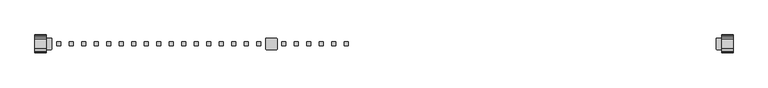
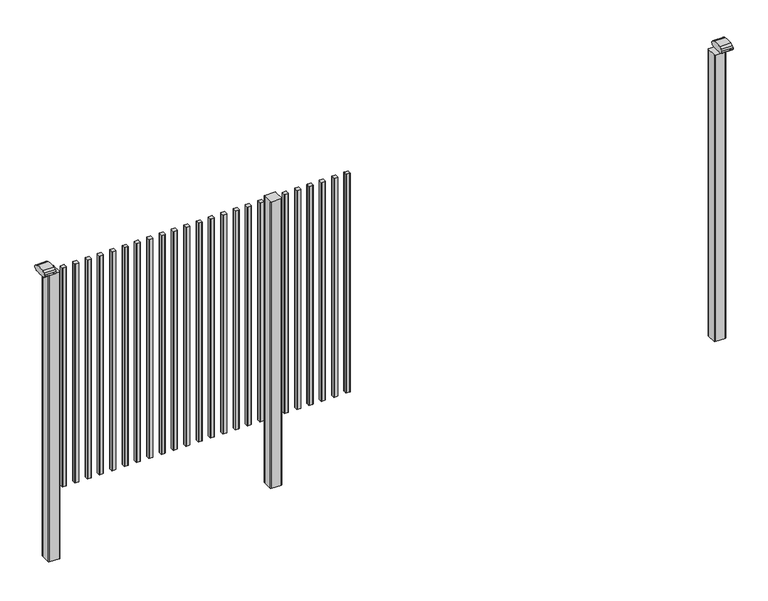
"""IFC4 building model written with IfcOpenShell, lengths in millimetres: railing geometry."""

from ifc_helpers import new_model, si_unit, point, frame, frame_2d, origin, place, context, project, spatial, polyline, circle_curve, trimmed, segment, composite_curve, outline, extrude, source, transform, mapped, element, save


def railing_aef79cb2(model_context):
    return source(origin(), model_context, "Body", "SweptSolid", [
        extrude(outline(composite_curve([segment(trimmed(circle_curve(frame_2d((5037.1280244, 7268.4508236)), 1.4), [point((5035.7280244, 7268.4508236))], [point((5037.1280244, 7269.8508236))], False, "CARTESIAN"), True, "CONTINUOUS"), segment(polyline([(5037.1280244, 7269.8508236), (5052.3280274, 7269.8508236)]), True, "CONTINUOUS"), segment(trimmed(circle_curve(frame_2d((5052.3280274, 7268.4508236)), 1.4), [point((5052.3280274, 7269.8508236))], [point((5053.7280274, 7268.4508236))], False, "CARTESIAN"), True, "CONTINUOUS"), segment(polyline([(5053.7280274, 7268.4508236), (5053.7280274, 7253.2507846)]), True, "CONTINUOUS"), segment(trimmed(circle_curve(frame_2d((5052.3280274, 7253.2507846)), 1.4), [point((5053.7280274, 7253.2507846))], [point((5052.3280274, 7251.8507846))], False, "CARTESIAN"), True, "CONTINUOUS"), segment(polyline([(5052.3280274, 7251.8507846), (5037.1280244, 7251.8507846)]), True, "CONTINUOUS"), segment(trimmed(circle_curve(frame_2d((5037.1280244, 7253.2507846)), 1.4), [point((5037.1280244, 7251.8507846))], [point((5035.7280244, 7253.2507846))], False, "CARTESIAN"), True, "CONTINUOUS"), segment(polyline([(5035.7280244, 7253.2507846), (5035.7280244, 7268.4508236)]), True, "CONTINUOUS")], self_intersect=False)), frame((0.0, 0.0, 125.0), z_axis=(0.0, 0.0, 1.0), x_axis=(1.0, 0.0, 0.0)), (0.0, 0.0, 1.0), 1043.1238517),
        extrude(outline(composite_curve([segment(trimmed(circle_curve(frame_2d((4981.5724688, 7268.4508236)), 1.4), [point((4980.1724688, 7268.4508236))], [point((4981.5724688, 7269.8508236))], False, "CARTESIAN"), True, "CONTINUOUS"), segment(polyline([(4981.5724688, 7269.8508236), (4996.7724718, 7269.8508236)]), True, "CONTINUOUS"), segment(trimmed(circle_curve(frame_2d((4996.7724718, 7268.4508236)), 1.4), [point((4996.7724718, 7269.8508236))], [point((4998.1724718, 7268.4508236))], False, "CARTESIAN"), True, "CONTINUOUS"), segment(polyline([(4998.1724718, 7268.4508236), (4998.1724718, 7253.2507846)]), True, "CONTINUOUS"), segment(trimmed(circle_curve(frame_2d((4996.7724718, 7253.2507846)), 1.4), [point((4998.1724718, 7253.2507846))], [point((4996.7724718, 7251.8507846))], False, "CARTESIAN"), True, "CONTINUOUS"), segment(polyline([(4996.7724718, 7251.8507846), (4981.5724688, 7251.8507846)]), True, "CONTINUOUS"), segment(trimmed(circle_curve(frame_2d((4981.5724688, 7253.2507846)), 1.4), [point((4981.5724688, 7251.8507846))], [point((4980.1724688, 7253.2507846))], False, "CARTESIAN"), True, "CONTINUOUS"), segment(polyline([(4980.1724688, 7253.2507846), (4980.1724688, 7268.4508236)]), True, "CONTINUOUS")], self_intersect=False)), frame((0.0, 0.0, 125.0), z_axis=(0.0, 0.0, 1.0), x_axis=(1.0, 0.0, 0.0)), (0.0, 0.0, 1.0), 1043.1238517),
        extrude(outline(composite_curve([segment(trimmed(circle_curve(frame_2d((4926.0169133, 7268.4508236)), 1.4), [point((4924.6169133, 7268.4508236))], [point((4926.0169133, 7269.8508236))], False, "CARTESIAN"), True, "CONTINUOUS"), segment(polyline([(4926.0169133, 7269.8508236), (4941.2169163, 7269.8508236)]), True, "CONTINUOUS"), segment(trimmed(circle_curve(frame_2d((4941.2169163, 7268.4508236)), 1.4), [point((4941.2169163, 7269.8508236))], [point((4942.6169163, 7268.4508236))], False, "CARTESIAN"), True, "CONTINUOUS"), segment(polyline([(4942.6169163, 7268.4508236), (4942.6169163, 7253.2507846)]), True, "CONTINUOUS"), segment(trimmed(circle_curve(frame_2d((4941.2169163, 7253.2507846)), 1.4), [point((4942.6169163, 7253.2507846))], [point((4941.2169163, 7251.8507846))], False, "CARTESIAN"), True, "CONTINUOUS"), segment(polyline([(4941.2169163, 7251.8507846), (4926.0169133, 7251.8507846)]), True, "CONTINUOUS"), segment(trimmed(circle_curve(frame_2d((4926.0169133, 7253.2507846)), 1.4), [point((4926.0169133, 7251.8507846))], [point((4924.6169133, 7253.2507846))], False, "CARTESIAN"), True, "CONTINUOUS"), segment(polyline([(4924.6169133, 7253.2507846), (4924.6169133, 7268.4508236)]), True, "CONTINUOUS")], self_intersect=False)), frame((0.0, 0.0, 125.0), z_axis=(0.0, 0.0, 1.0), x_axis=(1.0, 0.0, 0.0)), (0.0, 0.0, 1.0), 1043.1238517),
        extrude(outline(composite_curve([segment(trimmed(circle_curve(frame_2d((4870.4613577, 7268.4508236)), 1.4), [point((4869.0613577, 7268.4508236))], [point((4870.4613577, 7269.8508236))], False, "CARTESIAN"), True, "CONTINUOUS"), segment(polyline([(4870.4613577, 7269.8508236), (4885.6613607, 7269.8508236)]), True, "CONTINUOUS"), segment(trimmed(circle_curve(frame_2d((4885.6613607, 7268.4508236)), 1.4), [point((4885.6613607, 7269.8508236))], [point((4887.0613607, 7268.4508236))], False, "CARTESIAN"), True, "CONTINUOUS"), segment(polyline([(4887.0613607, 7268.4508236), (4887.0613607, 7253.2507846)]), True, "CONTINUOUS"), segment(trimmed(circle_curve(frame_2d((4885.6613607, 7253.2507846)), 1.4), [point((4887.0613607, 7253.2507846))], [point((4885.6613607, 7251.8507846))], False, "CARTESIAN"), True, "CONTINUOUS"), segment(polyline([(4885.6613607, 7251.8507846), (4870.4613577, 7251.8507846)]), True, "CONTINUOUS"), segment(trimmed(circle_curve(frame_2d((4870.4613577, 7253.2507846)), 1.4), [point((4870.4613577, 7251.8507846))], [point((4869.0613577, 7253.2507846))], False, "CARTESIAN"), True, "CONTINUOUS"), segment(polyline([(4869.0613577, 7253.2507846), (4869.0613577, 7268.4508236)]), True, "CONTINUOUS")], self_intersect=False)), frame((0.0, 0.0, 125.0), z_axis=(0.0, 0.0, 1.0), x_axis=(1.0, 0.0, 0.0)), (0.0, 0.0, 1.0), 1043.1238517),
        extrude(outline(composite_curve([segment(trimmed(circle_curve(frame_2d((4814.9058021, 7268.4508236)), 1.4), [point((4813.5058021, 7268.4508236))], [point((4814.9058021, 7269.8508236))], False, "CARTESIAN"), True, "CONTINUOUS"), segment(polyline([(4814.9058021, 7269.8508236), (4830.1058051, 7269.8508236)]), True, "CONTINUOUS"), segment(trimmed(circle_curve(frame_2d((4830.1058051, 7268.4508236)), 1.4), [point((4830.1058051, 7269.8508236))], [point((4831.5058051, 7268.4508236))], False, "CARTESIAN"), True, "CONTINUOUS"), segment(polyline([(4831.5058051, 7268.4508236), (4831.5058051, 7253.2507846)]), True, "CONTINUOUS"), segment(trimmed(circle_curve(frame_2d((4830.1058051, 7253.2507846)), 1.4), [point((4831.5058051, 7253.2507846))], [point((4830.1058051, 7251.8507846))], False, "CARTESIAN"), True, "CONTINUOUS"), segment(polyline([(4830.1058051, 7251.8507846), (4814.9058021, 7251.8507846)]), True, "CONTINUOUS"), segment(trimmed(circle_curve(frame_2d((4814.9058021, 7253.2507846)), 1.4), [point((4814.9058021, 7251.8507846))], [point((4813.5058021, 7253.2507846))], False, "CARTESIAN"), True, "CONTINUOUS"), segment(polyline([(4813.5058021, 7253.2507846), (4813.5058021, 7268.4508236)]), True, "CONTINUOUS")], self_intersect=False)), frame((0.0, 0.0, 125.0), z_axis=(0.0, 0.0, 1.0), x_axis=(1.0, 0.0, 0.0)), (0.0, 0.0, 1.0), 1043.1238517),
        extrude(outline(composite_curve([segment(trimmed(circle_curve(frame_2d((4759.3502466, 7268.4508236)), 1.4), [point((4757.9502466, 7268.4508236))], [point((4759.3502466, 7269.8508236))], False, "CARTESIAN"), True, "CONTINUOUS"), segment(polyline([(4759.3502466, 7269.8508236), (4774.5502496, 7269.8508236)]), True, "CONTINUOUS"), segment(trimmed(circle_curve(frame_2d((4774.5502496, 7268.4508236)), 1.4), [point((4774.5502496, 7269.8508236))], [point((4775.9502496, 7268.4508236))], False, "CARTESIAN"), True, "CONTINUOUS"), segment(polyline([(4775.9502496, 7268.4508236), (4775.9502496, 7253.2507846)]), True, "CONTINUOUS"), segment(trimmed(circle_curve(frame_2d((4774.5502496, 7253.2507846)), 1.4), [point((4775.9502496, 7253.2507846))], [point((4774.5502496, 7251.8507846))], False, "CARTESIAN"), True, "CONTINUOUS"), segment(polyline([(4774.5502496, 7251.8507846), (4759.3502466, 7251.8507846)]), True, "CONTINUOUS"), segment(trimmed(circle_curve(frame_2d((4759.3502466, 7253.2507846)), 1.4), [point((4759.3502466, 7251.8507846))], [point((4757.9502466, 7253.2507846))], False, "CARTESIAN"), True, "CONTINUOUS"), segment(polyline([(4757.9502466, 7253.2507846), (4757.9502466, 7268.4508236)]), True, "CONTINUOUS")], self_intersect=False)), frame((0.0, 0.0, 125.0), z_axis=(0.0, 0.0, 1.0), x_axis=(1.0, 0.0, 0.0)), (0.0, 0.0, 1.0), 1043.1238517),
        extrude(outline(composite_curve([segment(trimmed(circle_curve(frame_2d((4733.7947043, 7283.2508153)), 3.0), [point((4733.794704, 7286.2508153))], [point((4736.7947043, 7283.2508156))], False, "CARTESIAN"), True, "CONTINUOUS"), segment(polyline([(4736.7947043, 7283.2508156), (4736.7947083, 7238.4507926)]), True, "CONTINUOUS"), segment(trimmed(circle_curve(frame_2d((4733.7947083, 7238.4507923)), 3.0), [point((4736.7947083, 7238.4507926))], [point((4733.7947086, 7235.4507923))], False, "CARTESIAN"), True, "CONTINUOUS"), segment(polyline([(4733.7947086, 7235.4507923), (4688.9946856, 7235.4507883)]), True, "CONTINUOUS"), segment(trimmed(circle_curve(frame_2d((4688.9946853, 7238.4507883)), 3.0), [point((4688.9946856, 7235.4507883))], [point((4685.9946853, 7238.450788))], False, "CARTESIAN"), True, "CONTINUOUS"), segment(polyline([(4685.9946853, 7238.450788), (4685.9946813, 7283.250811)]), True, "CONTINUOUS"), segment(trimmed(circle_curve(frame_2d((4688.9946813, 7283.2508113)), 3.0), [point((4685.9946813, 7283.250811))], [point((4688.994681, 7286.2508113))], False, "CARTESIAN"), True, "CONTINUOUS"), segment(polyline([(4688.994681, 7286.2508113), (4733.794704, 7286.2508153)]), True, "CONTINUOUS")], self_intersect=False)), frame((0.0, 0.0, -198.0), z_axis=(0.0, 0.0, 1.0), x_axis=(1.0, 0.0, 0.0)), (0.0, 0.0, 1.0), 1366.1238517),
        extrude(outline(composite_curve([segment(trimmed(circle_curve(frame_2d((4648.2391355, 7268.4508236)), 1.4), [point((4646.8391355, 7268.4508236))], [point((4648.2391355, 7269.8508236))], False, "CARTESIAN"), True, "CONTINUOUS"), segment(polyline([(4648.2391355, 7269.8508236), (4663.4391385, 7269.8508236)]), True, "CONTINUOUS"), segment(trimmed(circle_curve(frame_2d((4663.4391385, 7268.4508236)), 1.4), [point((4663.4391385, 7269.8508236))], [point((4664.8391385, 7268.4508236))], False, "CARTESIAN"), True, "CONTINUOUS"), segment(polyline([(4664.8391385, 7268.4508236), (4664.8391385, 7253.2507846)]), True, "CONTINUOUS"), segment(trimmed(circle_curve(frame_2d((4663.4391385, 7253.2507846)), 1.4), [point((4664.8391385, 7253.2507846))], [point((4663.4391385, 7251.8507846))], False, "CARTESIAN"), True, "CONTINUOUS"), segment(polyline([(4663.4391385, 7251.8507846), (4648.2391355, 7251.8507846)]), True, "CONTINUOUS"), segment(trimmed(circle_curve(frame_2d((4648.2391355, 7253.2507846)), 1.4), [point((4648.2391355, 7251.8507846))], [point((4646.8391355, 7253.2507846))], False, "CARTESIAN"), True, "CONTINUOUS"), segment(polyline([(4646.8391355, 7253.2507846), (4646.8391355, 7268.4508236)]), True, "CONTINUOUS")], self_intersect=False)), frame((0.0, 0.0, 125.0), z_axis=(0.0, 0.0, 1.0), x_axis=(1.0, 0.0, 0.0)), (0.0, 0.0, 1.0), 1043.1238517),
        extrude(outline(composite_curve([segment(trimmed(circle_curve(frame_2d((4592.6835799, 7268.4508236)), 1.4), [point((4591.2835799, 7268.4508236))], [point((4592.6835799, 7269.8508236))], False, "CARTESIAN"), True, "CONTINUOUS"), segment(polyline([(4592.6835799, 7269.8508236), (4607.8835829, 7269.8508236)]), True, "CONTINUOUS"), segment(trimmed(circle_curve(frame_2d((4607.8835829, 7268.4508236)), 1.4), [point((4607.8835829, 7269.8508236))], [point((4609.2835829, 7268.4508236))], False, "CARTESIAN"), True, "CONTINUOUS"), segment(polyline([(4609.2835829, 7268.4508236), (4609.2835829, 7253.2507846)]), True, "CONTINUOUS"), segment(trimmed(circle_curve(frame_2d((4607.8835829, 7253.2507846)), 1.4), [point((4609.2835829, 7253.2507846))], [point((4607.8835829, 7251.8507846))], False, "CARTESIAN"), True, "CONTINUOUS"), segment(polyline([(4607.8835829, 7251.8507846), (4592.6835799, 7251.8507846)]), True, "CONTINUOUS"), segment(trimmed(circle_curve(frame_2d((4592.6835799, 7253.2507846)), 1.4), [point((4592.6835799, 7251.8507846))], [point((4591.2835799, 7253.2507846))], False, "CARTESIAN"), True, "CONTINUOUS"), segment(polyline([(4591.2835799, 7253.2507846), (4591.2835799, 7268.4508236)]), True, "CONTINUOUS")], self_intersect=False)), frame((0.0, 0.0, 125.0), z_axis=(0.0, 0.0, 1.0), x_axis=(1.0, 0.0, 0.0)), (0.0, 0.0, 1.0), 1043.1238517),
        extrude(outline(composite_curve([segment(trimmed(circle_curve(frame_2d((4537.1280244, 7268.4508236)), 1.4), [point((4535.7280244, 7268.4508236))], [point((4537.1280244, 7269.8508236))], False, "CARTESIAN"), True, "CONTINUOUS"), segment(polyline([(4537.1280244, 7269.8508236), (4552.3280274, 7269.8508236)]), True, "CONTINUOUS"), segment(trimmed(circle_curve(frame_2d((4552.3280274, 7268.4508236)), 1.4), [point((4552.3280274, 7269.8508236))], [point((4553.7280274, 7268.4508236))], False, "CARTESIAN"), True, "CONTINUOUS"), segment(polyline([(4553.7280274, 7268.4508236), (4553.7280274, 7253.2507846)]), True, "CONTINUOUS"), segment(trimmed(circle_curve(frame_2d((4552.3280274, 7253.2507846)), 1.4), [point((4553.7280274, 7253.2507846))], [point((4552.3280274, 7251.8507846))], False, "CARTESIAN"), True, "CONTINUOUS"), segment(polyline([(4552.3280274, 7251.8507846), (4537.1280244, 7251.8507846)]), True, "CONTINUOUS"), segment(trimmed(circle_curve(frame_2d((4537.1280244, 7253.2507846)), 1.4), [point((4537.1280244, 7251.8507846))], [point((4535.7280244, 7253.2507846))], False, "CARTESIAN"), True, "CONTINUOUS"), segment(polyline([(4535.7280244, 7253.2507846), (4535.7280244, 7268.4508236)]), True, "CONTINUOUS")], self_intersect=False)), frame((0.0, 0.0, 125.0), z_axis=(0.0, 0.0, 1.0), x_axis=(1.0, 0.0, 0.0)), (0.0, 0.0, 1.0), 1043.1238517),
        extrude(outline(composite_curve([segment(trimmed(circle_curve(frame_2d((4481.5724688, 7268.4508236)), 1.4), [point((4480.1724688, 7268.4508236))], [point((4481.5724688, 7269.8508236))], False, "CARTESIAN"), True, "CONTINUOUS"), segment(polyline([(4481.5724688, 7269.8508236), (4496.7724718, 7269.8508236)]), True, "CONTINUOUS"), segment(trimmed(circle_curve(frame_2d((4496.7724718, 7268.4508236)), 1.4), [point((4496.7724718, 7269.8508236))], [point((4498.1724718, 7268.4508236))], False, "CARTESIAN"), True, "CONTINUOUS"), segment(polyline([(4498.1724718, 7268.4508236), (4498.1724718, 7253.2507846)]), True, "CONTINUOUS"), segment(trimmed(circle_curve(frame_2d((4496.7724718, 7253.2507846)), 1.4), [point((4498.1724718, 7253.2507846))], [point((4496.7724718, 7251.8507846))], False, "CARTESIAN"), True, "CONTINUOUS"), segment(polyline([(4496.7724718, 7251.8507846), (4481.5724688, 7251.8507846)]), True, "CONTINUOUS"), segment(trimmed(circle_curve(frame_2d((4481.5724688, 7253.2507846)), 1.4), [point((4481.5724688, 7251.8507846))], [point((4480.1724688, 7253.2507846))], False, "CARTESIAN"), True, "CONTINUOUS"), segment(polyline([(4480.1724688, 7253.2507846), (4480.1724688, 7268.4508236)]), True, "CONTINUOUS")], self_intersect=False)), frame((0.0, 0.0, 125.0), z_axis=(0.0, 0.0, 1.0), x_axis=(1.0, 0.0, 0.0)), (0.0, 0.0, 1.0), 1043.1238517),
        extrude(outline(composite_curve([segment(trimmed(circle_curve(frame_2d((4426.0169133, 7268.4508236)), 1.4), [point((4424.6169133, 7268.4508236))], [point((4426.0169133, 7269.8508236))], False, "CARTESIAN"), True, "CONTINUOUS"), segment(polyline([(4426.0169133, 7269.8508236), (4441.2169163, 7269.8508236)]), True, "CONTINUOUS"), segment(trimmed(circle_curve(frame_2d((4441.2169163, 7268.4508236)), 1.4), [point((4441.2169163, 7269.8508236))], [point((4442.6169163, 7268.4508236))], False, "CARTESIAN"), True, "CONTINUOUS"), segment(polyline([(4442.6169163, 7268.4508236), (4442.6169163, 7253.2507846)]), True, "CONTINUOUS"), segment(trimmed(circle_curve(frame_2d((4441.2169163, 7253.2507846)), 1.4), [point((4442.6169163, 7253.2507846))], [point((4441.2169163, 7251.8507846))], False, "CARTESIAN"), True, "CONTINUOUS"), segment(polyline([(4441.2169163, 7251.8507846), (4426.0169133, 7251.8507846)]), True, "CONTINUOUS"), segment(trimmed(circle_curve(frame_2d((4426.0169133, 7253.2507846)), 1.4), [point((4426.0169133, 7251.8507846))], [point((4424.6169133, 7253.2507846))], False, "CARTESIAN"), True, "CONTINUOUS"), segment(polyline([(4424.6169133, 7253.2507846), (4424.6169133, 7268.4508236)]), True, "CONTINUOUS")], self_intersect=False)), frame((0.0, 0.0, 125.0), z_axis=(0.0, 0.0, 1.0), x_axis=(1.0, 0.0, 0.0)), (0.0, 0.0, 1.0), 1043.1238517),
        extrude(outline(composite_curve([segment(trimmed(circle_curve(frame_2d((4370.4613577, 7268.4508236)), 1.4), [point((4369.0613577, 7268.4508236))], [point((4370.4613577, 7269.8508236))], False, "CARTESIAN"), True, "CONTINUOUS"), segment(polyline([(4370.4613577, 7269.8508236), (4385.6613607, 7269.8508236)]), True, "CONTINUOUS"), segment(trimmed(circle_curve(frame_2d((4385.6613607, 7268.4508236)), 1.4), [point((4385.6613607, 7269.8508236))], [point((4387.0613607, 7268.4508236))], False, "CARTESIAN"), True, "CONTINUOUS"), segment(polyline([(4387.0613607, 7268.4508236), (4387.0613607, 7253.2507846)]), True, "CONTINUOUS"), segment(trimmed(circle_curve(frame_2d((4385.6613607, 7253.2507846)), 1.4), [point((4387.0613607, 7253.2507846))], [point((4385.6613607, 7251.8507846))], False, "CARTESIAN"), True, "CONTINUOUS"), segment(polyline([(4385.6613607, 7251.8507846), (4370.4613577, 7251.8507846)]), True, "CONTINUOUS"), segment(trimmed(circle_curve(frame_2d((4370.4613577, 7253.2507846)), 1.4), [point((4370.4613577, 7251.8507846))], [point((4369.0613577, 7253.2507846))], False, "CARTESIAN"), True, "CONTINUOUS"), segment(polyline([(4369.0613577, 7253.2507846), (4369.0613577, 7268.4508236)]), True, "CONTINUOUS")], self_intersect=False)), frame((0.0, 0.0, 125.0), z_axis=(0.0, 0.0, 1.0), x_axis=(1.0, 0.0, 0.0)), (0.0, 0.0, 1.0), 1043.1238517),
        extrude(outline(composite_curve([segment(trimmed(circle_curve(frame_2d((4314.9058021, 7268.4508236)), 1.4), [point((4313.5058021, 7268.4508236))], [point((4314.9058021, 7269.8508236))], False, "CARTESIAN"), True, "CONTINUOUS"), segment(polyline([(4314.9058021, 7269.8508236), (4330.1058051, 7269.8508236)]), True, "CONTINUOUS"), segment(trimmed(circle_curve(frame_2d((4330.1058051, 7268.4508236)), 1.4), [point((4330.1058051, 7269.8508236))], [point((4331.5058051, 7268.4508236))], False, "CARTESIAN"), True, "CONTINUOUS"), segment(polyline([(4331.5058051, 7268.4508236), (4331.5058051, 7253.2507846)]), True, "CONTINUOUS"), segment(trimmed(circle_curve(frame_2d((4330.1058051, 7253.2507846)), 1.4), [point((4331.5058051, 7253.2507846))], [point((4330.1058051, 7251.8507846))], False, "CARTESIAN"), True, "CONTINUOUS"), segment(polyline([(4330.1058051, 7251.8507846), (4314.9058021, 7251.8507846)]), True, "CONTINUOUS"), segment(trimmed(circle_curve(frame_2d((4314.9058021, 7253.2507846)), 1.4), [point((4314.9058021, 7251.8507846))], [point((4313.5058021, 7253.2507846))], False, "CARTESIAN"), True, "CONTINUOUS"), segment(polyline([(4313.5058021, 7253.2507846), (4313.5058021, 7268.4508236)]), True, "CONTINUOUS")], self_intersect=False)), frame((0.0, 0.0, 125.0), z_axis=(0.0, 0.0, 1.0), x_axis=(1.0, 0.0, 0.0)), (0.0, 0.0, 1.0), 1043.1238517),
        extrude(outline(composite_curve([segment(trimmed(circle_curve(frame_2d((4259.3502466, 7268.4508236)), 1.4), [point((4257.9502466, 7268.4508236))], [point((4259.3502466, 7269.8508236))], False, "CARTESIAN"), True, "CONTINUOUS"), segment(polyline([(4259.3502466, 7269.8508236), (4274.5502496, 7269.8508236)]), True, "CONTINUOUS"), segment(trimmed(circle_curve(frame_2d((4274.5502496, 7268.4508236)), 1.4), [point((4274.5502496, 7269.8508236))], [point((4275.9502496, 7268.4508236))], False, "CARTESIAN"), True, "CONTINUOUS"), segment(polyline([(4275.9502496, 7268.4508236), (4275.9502496, 7253.2507846)]), True, "CONTINUOUS"), segment(trimmed(circle_curve(frame_2d((4274.5502496, 7253.2507846)), 1.4), [point((4275.9502496, 7253.2507846))], [point((4274.5502496, 7251.8507846))], False, "CARTESIAN"), True, "CONTINUOUS"), segment(polyline([(4274.5502496, 7251.8507846), (4259.3502466, 7251.8507846)]), True, "CONTINUOUS"), segment(trimmed(circle_curve(frame_2d((4259.3502466, 7253.2507846)), 1.4), [point((4259.3502466, 7251.8507846))], [point((4257.9502466, 7253.2507846))], False, "CARTESIAN"), True, "CONTINUOUS"), segment(polyline([(4257.9502466, 7253.2507846), (4257.9502466, 7268.4508236)]), True, "CONTINUOUS")], self_intersect=False)), frame((0.0, 0.0, 125.0), z_axis=(0.0, 0.0, 1.0), x_axis=(1.0, 0.0, 0.0)), (0.0, 0.0, 1.0), 1043.1238517),
        extrude(outline(composite_curve([segment(trimmed(circle_curve(frame_2d((4203.794691, 7268.4508236)), 1.4), [point((4202.394691, 7268.4508236))], [point((4203.794691, 7269.8508236))], False, "CARTESIAN"), True, "CONTINUOUS"), segment(polyline([(4203.794691, 7269.8508236), (4218.994694, 7269.8508236)]), True, "CONTINUOUS"), segment(trimmed(circle_curve(frame_2d((4218.994694, 7268.4508236)), 1.4), [point((4218.994694, 7269.8508236))], [point((4220.394694, 7268.4508236))], False, "CARTESIAN"), True, "CONTINUOUS"), segment(polyline([(4220.394694, 7268.4508236), (4220.394694, 7253.2507846)]), True, "CONTINUOUS"), segment(trimmed(circle_curve(frame_2d((4218.994694, 7253.2507846)), 1.4), [point((4220.394694, 7253.2507846))], [point((4218.994694, 7251.8507846))], False, "CARTESIAN"), True, "CONTINUOUS"), segment(polyline([(4218.994694, 7251.8507846), (4203.794691, 7251.8507846)]), True, "CONTINUOUS"), segment(trimmed(circle_curve(frame_2d((4203.794691, 7253.2507846)), 1.4), [point((4203.794691, 7251.8507846))], [point((4202.394691, 7253.2507846))], False, "CARTESIAN"), True, "CONTINUOUS"), segment(polyline([(4202.394691, 7253.2507846), (4202.394691, 7268.4508236)]), True, "CONTINUOUS")], self_intersect=False)), frame((0.0, 0.0, 125.0), z_axis=(0.0, 0.0, 1.0), x_axis=(1.0, 0.0, 0.0)), (0.0, 0.0, 1.0), 1043.1238517),
        extrude(outline(composite_curve([segment(trimmed(circle_curve(frame_2d((4148.2391355, 7268.4508236)), 1.4), [point((4146.8391355, 7268.4508236))], [point((4148.2391355, 7269.8508236))], False, "CARTESIAN"), True, "CONTINUOUS"), segment(polyline([(4148.2391355, 7269.8508236), (4163.4391385, 7269.8508236)]), True, "CONTINUOUS"), segment(trimmed(circle_curve(frame_2d((4163.4391385, 7268.4508236)), 1.4), [point((4163.4391385, 7269.8508236))], [point((4164.8391385, 7268.4508236))], False, "CARTESIAN"), True, "CONTINUOUS"), segment(polyline([(4164.8391385, 7268.4508236), (4164.8391385, 7253.2507846)]), True, "CONTINUOUS"), segment(trimmed(circle_curve(frame_2d((4163.4391385, 7253.2507846)), 1.4), [point((4164.8391385, 7253.2507846))], [point((4163.4391385, 7251.8507846))], False, "CARTESIAN"), True, "CONTINUOUS"), segment(polyline([(4163.4391385, 7251.8507846), (4148.2391355, 7251.8507846)]), True, "CONTINUOUS"), segment(trimmed(circle_curve(frame_2d((4148.2391355, 7253.2507846)), 1.4), [point((4148.2391355, 7251.8507846))], [point((4146.8391355, 7253.2507846))], False, "CARTESIAN"), True, "CONTINUOUS"), segment(polyline([(4146.8391355, 7253.2507846), (4146.8391355, 7268.4508236)]), True, "CONTINUOUS")], self_intersect=False)), frame((0.0, 0.0, 125.0), z_axis=(0.0, 0.0, 1.0), x_axis=(1.0, 0.0, 0.0)), (0.0, 0.0, 1.0), 1043.1238517),
        extrude(outline(composite_curve([segment(trimmed(circle_curve(frame_2d((4092.6835799, 7268.4508236)), 1.4), [point((4091.2835799, 7268.4508236))], [point((4092.6835799, 7269.8508236))], False, "CARTESIAN"), True, "CONTINUOUS"), segment(polyline([(4092.6835799, 7269.8508236), (4107.8835829, 7269.8508236)]), True, "CONTINUOUS"), segment(trimmed(circle_curve(frame_2d((4107.8835829, 7268.4508236)), 1.4), [point((4107.8835829, 7269.8508236))], [point((4109.2835829, 7268.4508236))], False, "CARTESIAN"), True, "CONTINUOUS"), segment(polyline([(4109.2835829, 7268.4508236), (4109.2835829, 7253.2507846)]), True, "CONTINUOUS"), segment(trimmed(circle_curve(frame_2d((4107.8835829, 7253.2507846)), 1.4), [point((4109.2835829, 7253.2507846))], [point((4107.8835829, 7251.8507846))], False, "CARTESIAN"), True, "CONTINUOUS"), segment(polyline([(4107.8835829, 7251.8507846), (4092.6835799, 7251.8507846)]), True, "CONTINUOUS"), segment(trimmed(circle_curve(frame_2d((4092.6835799, 7253.2507846)), 1.4), [point((4092.6835799, 7251.8507846))], [point((4091.2835799, 7253.2507846))], False, "CARTESIAN"), True, "CONTINUOUS"), segment(polyline([(4091.2835799, 7253.2507846), (4091.2835799, 7268.4508236)]), True, "CONTINUOUS")], self_intersect=False)), frame((0.0, 0.0, 125.0), z_axis=(0.0, 0.0, 1.0), x_axis=(1.0, 0.0, 0.0)), (0.0, 0.0, 1.0), 1043.1238517),
        extrude(outline(composite_curve([segment(trimmed(circle_curve(frame_2d((4037.1280244, 7268.4508236)), 1.4), [point((4035.7280244, 7268.4508236))], [point((4037.1280244, 7269.8508236))], False, "CARTESIAN"), True, "CONTINUOUS"), segment(polyline([(4037.1280244, 7269.8508236), (4052.3280274, 7269.8508236)]), True, "CONTINUOUS"), segment(trimmed(circle_curve(frame_2d((4052.3280274, 7268.4508236)), 1.4), [point((4052.3280274, 7269.8508236))], [point((4053.7280274, 7268.4508236))], False, "CARTESIAN"), True, "CONTINUOUS"), segment(polyline([(4053.7280274, 7268.4508236), (4053.7280274, 7253.2507846)]), True, "CONTINUOUS"), segment(trimmed(circle_curve(frame_2d((4052.3280274, 7253.2507846)), 1.4), [point((4053.7280274, 7253.2507846))], [point((4052.3280274, 7251.8507846))], False, "CARTESIAN"), True, "CONTINUOUS"), segment(polyline([(4052.3280274, 7251.8507846), (4037.1280244, 7251.8507846)]), True, "CONTINUOUS"), segment(trimmed(circle_curve(frame_2d((4037.1280244, 7253.2507846)), 1.4), [point((4037.1280244, 7251.8507846))], [point((4035.7280244, 7253.2507846))], False, "CARTESIAN"), True, "CONTINUOUS"), segment(polyline([(4035.7280244, 7253.2507846), (4035.7280244, 7268.4508236)]), True, "CONTINUOUS")], self_intersect=False)), frame((0.0, 0.0, 125.0), z_axis=(0.0, 0.0, 1.0), x_axis=(1.0, 0.0, 0.0)), (0.0, 0.0, 1.0), 1043.1238517),
        extrude(outline(composite_curve([segment(trimmed(circle_curve(frame_2d((3981.5724688, 7268.4508236)), 1.4), [point((3980.1724688, 7268.4508236))], [point((3981.5724688, 7269.8508236))], False, "CARTESIAN"), True, "CONTINUOUS"), segment(polyline([(3981.5724688, 7269.8508236), (3996.7724718, 7269.8508236)]), True, "CONTINUOUS"), segment(trimmed(circle_curve(frame_2d((3996.7724718, 7268.4508236)), 1.4), [point((3996.7724718, 7269.8508236))], [point((3998.1724718, 7268.4508236))], False, "CARTESIAN"), True, "CONTINUOUS"), segment(polyline([(3998.1724718, 7268.4508236), (3998.1724718, 7253.2507846)]), True, "CONTINUOUS"), segment(trimmed(circle_curve(frame_2d((3996.7724718, 7253.2507846)), 1.4), [point((3998.1724718, 7253.2507846))], [point((3996.7724718, 7251.8507846))], False, "CARTESIAN"), True, "CONTINUOUS"), segment(polyline([(3996.7724718, 7251.8507846), (3981.5724688, 7251.8507846)]), True, "CONTINUOUS"), segment(trimmed(circle_curve(frame_2d((3981.5724688, 7253.2507846)), 1.4), [point((3981.5724688, 7251.8507846))], [point((3980.1724688, 7253.2507846))], False, "CARTESIAN"), True, "CONTINUOUS"), segment(polyline([(3980.1724688, 7253.2507846), (3980.1724688, 7268.4508236)]), True, "CONTINUOUS")], self_intersect=False)), frame((0.0, 0.0, 125.0), z_axis=(0.0, 0.0, 1.0), x_axis=(1.0, 0.0, 0.0)), (0.0, 0.0, 1.0), 1043.1238517),
        extrude(outline(composite_curve([segment(trimmed(circle_curve(frame_2d((3926.0169133, 7268.4508236)), 1.4), [point((3924.6169133, 7268.4508236))], [point((3926.0169133, 7269.8508236))], False, "CARTESIAN"), True, "CONTINUOUS"), segment(polyline([(3926.0169133, 7269.8508236), (3941.2169163, 7269.8508236)]), True, "CONTINUOUS"), segment(trimmed(circle_curve(frame_2d((3941.2169163, 7268.4508236)), 1.4), [point((3941.2169163, 7269.8508236))], [point((3942.6169163, 7268.4508236))], False, "CARTESIAN"), True, "CONTINUOUS"), segment(polyline([(3942.6169163, 7268.4508236), (3942.6169163, 7253.2507846)]), True, "CONTINUOUS"), segment(trimmed(circle_curve(frame_2d((3941.2169163, 7253.2507846)), 1.4), [point((3942.6169163, 7253.2507846))], [point((3941.2169163, 7251.8507846))], False, "CARTESIAN"), True, "CONTINUOUS"), segment(polyline([(3941.2169163, 7251.8507846), (3926.0169133, 7251.8507846)]), True, "CONTINUOUS"), segment(trimmed(circle_curve(frame_2d((3926.0169133, 7253.2507846)), 1.4), [point((3926.0169133, 7251.8507846))], [point((3924.6169133, 7253.2507846))], False, "CARTESIAN"), True, "CONTINUOUS"), segment(polyline([(3924.6169133, 7253.2507846), (3924.6169133, 7268.4508236)]), True, "CONTINUOUS")], self_intersect=False)), frame((0.0, 0.0, 125.0), z_axis=(0.0, 0.0, 1.0), x_axis=(1.0, 0.0, 0.0)), (0.0, 0.0, 1.0), 1043.1238517),
        extrude(outline(composite_curve([segment(trimmed(circle_curve(frame_2d((3870.4613577, 7268.4508236)), 1.4), [point((3869.0613577, 7268.4508236))], [point((3870.4613577, 7269.8508236))], False, "CARTESIAN"), True, "CONTINUOUS"), segment(polyline([(3870.4613577, 7269.8508236), (3885.6613607, 7269.8508236)]), True, "CONTINUOUS"), segment(trimmed(circle_curve(frame_2d((3885.6613607, 7268.4508236)), 1.4), [point((3885.6613607, 7269.8508236))], [point((3887.0613607, 7268.4508236))], False, "CARTESIAN"), True, "CONTINUOUS"), segment(polyline([(3887.0613607, 7268.4508236), (3887.0613607, 7253.2507846)]), True, "CONTINUOUS"), segment(trimmed(circle_curve(frame_2d((3885.6613607, 7253.2507846)), 1.4), [point((3887.0613607, 7253.2507846))], [point((3885.6613607, 7251.8507846))], False, "CARTESIAN"), True, "CONTINUOUS"), segment(polyline([(3885.6613607, 7251.8507846), (3870.4613577, 7251.8507846)]), True, "CONTINUOUS"), segment(trimmed(circle_curve(frame_2d((3870.4613577, 7253.2507846)), 1.4), [point((3870.4613577, 7251.8507846))], [point((3869.0613577, 7253.2507846))], False, "CARTESIAN"), True, "CONTINUOUS"), segment(polyline([(3869.0613577, 7253.2507846), (3869.0613577, 7268.4508236)]), True, "CONTINUOUS")], self_intersect=False)), frame((0.0, 0.0, 125.0), z_axis=(0.0, 0.0, 1.0), x_axis=(1.0, 0.0, 0.0)), (0.0, 0.0, 1.0), 1043.1238517),
        extrude(outline(composite_curve([segment(trimmed(circle_curve(frame_2d((3814.9058021, 7268.4508236)), 1.4), [point((3813.5058021, 7268.4508236))], [point((3814.9058021, 7269.8508236))], False, "CARTESIAN"), True, "CONTINUOUS"), segment(polyline([(3814.9058021, 7269.8508236), (3830.1058051, 7269.8508236)]), True, "CONTINUOUS"), segment(trimmed(circle_curve(frame_2d((3830.1058051, 7268.4508236)), 1.4), [point((3830.1058051, 7269.8508236))], [point((3831.5058051, 7268.4508236))], False, "CARTESIAN"), True, "CONTINUOUS"), segment(polyline([(3831.5058051, 7268.4508236), (3831.5058051, 7253.2507846)]), True, "CONTINUOUS"), segment(trimmed(circle_curve(frame_2d((3830.1058051, 7253.2507846)), 1.4), [point((3831.5058051, 7253.2507846))], [point((3830.1058051, 7251.8507846))], False, "CARTESIAN"), True, "CONTINUOUS"), segment(polyline([(3830.1058051, 7251.8507846), (3814.9058021, 7251.8507846)]), True, "CONTINUOUS"), segment(trimmed(circle_curve(frame_2d((3814.9058021, 7253.2507846)), 1.4), [point((3814.9058021, 7251.8507846))], [point((3813.5058021, 7253.2507846))], False, "CARTESIAN"), True, "CONTINUOUS"), segment(polyline([(3813.5058021, 7253.2507846), (3813.5058021, 7268.4508236)]), True, "CONTINUOUS")], self_intersect=False)), frame((0.0, 0.0, 125.0), z_axis=(0.0, 0.0, 1.0), x_axis=(1.0, 0.0, 0.0)), (0.0, 0.0, 1.0), 1043.1238517),
        extrude(outline(composite_curve([segment(trimmed(circle_curve(frame_2d((3759.3502466, 7268.4508236)), 1.4), [point((3757.9502466, 7268.4508236))], [point((3759.3502466, 7269.8508236))], False, "CARTESIAN"), True, "CONTINUOUS"), segment(polyline([(3759.3502466, 7269.8508236), (3774.5502496, 7269.8508236)]), True, "CONTINUOUS"), segment(trimmed(circle_curve(frame_2d((3774.5502496, 7268.4508236)), 1.4), [point((3774.5502496, 7269.8508236))], [point((3775.9502496, 7268.4508236))], False, "CARTESIAN"), True, "CONTINUOUS"), segment(polyline([(3775.9502496, 7268.4508236), (3775.9502496, 7253.2507846)]), True, "CONTINUOUS"), segment(trimmed(circle_curve(frame_2d((3774.5502496, 7253.2507846)), 1.4), [point((3775.9502496, 7253.2507846))], [point((3774.5502496, 7251.8507846))], False, "CARTESIAN"), True, "CONTINUOUS"), segment(polyline([(3774.5502496, 7251.8507846), (3759.3502466, 7251.8507846)]), True, "CONTINUOUS"), segment(trimmed(circle_curve(frame_2d((3759.3502466, 7253.2507846)), 1.4), [point((3759.3502466, 7251.8507846))], [point((3757.9502466, 7253.2507846))], False, "CARTESIAN"), True, "CONTINUOUS"), segment(polyline([(3757.9502466, 7253.2507846), (3757.9502466, 7268.4508236)]), True, "CONTINUOUS")], self_intersect=False)), frame((0.0, 0.0, 125.0), z_axis=(0.0, 0.0, 1.0), x_axis=(1.0, 0.0, 0.0)), (0.0, 0.0, 1.0), 1043.1238517),
        extrude(outline(composite_curve([segment(trimmed(circle_curve(frame_2d((6733.7947043, 7283.2508153)), 3.0), [point((6733.794704, 7286.2508153))], [point((6736.7947043, 7283.2508156))], False, "CARTESIAN"), True, "CONTINUOUS"), segment(polyline([(6736.7947043, 7283.2508156), (6736.7947083, 7238.4507926)]), True, "CONTINUOUS"), segment(trimmed(circle_curve(frame_2d((6733.7947083, 7238.4507923)), 3.0), [point((6736.7947083, 7238.4507926))], [point((6733.7947086, 7235.4507923))], False, "CARTESIAN"), True, "CONTINUOUS"), segment(polyline([(6733.7947086, 7235.4507923), (6688.9946856, 7235.4507883)]), True, "CONTINUOUS"), segment(trimmed(circle_curve(frame_2d((6688.9946853, 7238.4507883)), 3.0), [point((6688.9946856, 7235.4507883))], [point((6685.9946853, 7238.450788))], False, "CARTESIAN"), True, "CONTINUOUS"), segment(polyline([(6685.9946853, 7238.450788), (6685.9946813, 7283.250811)]), True, "CONTINUOUS"), segment(trimmed(circle_curve(frame_2d((6688.9946813, 7283.2508113)), 3.0), [point((6685.9946813, 7283.250811))], [point((6688.994681, 7286.2508113))], False, "CARTESIAN"), True, "CONTINUOUS"), segment(polyline([(6688.994681, 7286.2508113), (6733.794704, 7286.2508153)]), True, "CONTINUOUS")], self_intersect=False)), frame((0.0, 0.0, -198.0), z_axis=(0.0, 0.0, 1.0), x_axis=(1.0, 0.0, 0.0)), (0.0, 0.0, 1.0), 1366.1238517),
        extrude(outline(composite_curve([segment(trimmed(circle_curve(frame_2d((7270.3619413, 1153.851602)), 44.999996), [point((7281.0673858, 1197.5596459))], [point((7293.2601573, 1192.5901015))], False, "CARTESIAN"), True, "CONTINUOUS"), segment(trimmed(circle_curve(frame_2d((7284.6097194, 1177.955556)), 17.0), [point((7293.2601573, 1192.5901015))], [point((7299.1544589, 1186.7561556))], False, "CARTESIAN"), True, "CONTINUOUS"), segment(trimmed(circle_curve(frame_2d((7292.0959826, 1182.4852765)), 8.2499997), [point((7299.1544589, 1186.7561556))], [point((7299.1544535, 1178.2143885))], False, "CARTESIAN"), True, "CONTINUOUS"), segment(trimmed(circle_curve(frame_2d((7284.6097251, 1187.0150065)), 17.0), [point((7299.1544535, 1178.2143885))], [point((7293.2601665, 1172.380463))], False, "CARTESIAN"), True, "CONTINUOUS"), segment(trimmed(circle_curve(frame_2d((7270.3619413, 1211.1189571)), 44.999996), [point((7293.2601665, 1172.380463))], [point((7288.7876029, 1170.064181))], False, "CARTESIAN"), True, "CONTINUOUS"), segment(trimmed(circle_curve(frame_2d((7288.1786159, 1172.1635324)), 2.185896), [point((7288.7876029, 1170.064181))], [point((7287.9960148, 1169.9852766))], False, "CARTESIAN"), True, "CONTINUOUS"), segment(trimmed(circle_curve(frame_2d((7287.9960148, 1170.8852766)), 0.9), [point((7287.9960148, 1169.9852766))], [point((7287.0981091, 1170.8239135))], False, "CARTESIAN"), True, "CONTINUOUS"), segment(trimmed(circle_curve(frame_2d((7286.5194733, 1170.8239135)), 0.5786359), [point((7287.0981091, 1170.8239135))], [point((7286.5194733, 1170.2452777))], False, "CARTESIAN"), True, "CONTINUOUS"), segment(polyline([(7286.5194733, 1170.2452777), (7269.5751393, 1170.2452777)]), True, "CONTINUOUS"), segment(trimmed(circle_curve(frame_2d((7260.8508208, 1187.1238497)), 18.999998), [point((7269.5751393, 1170.2452777))], [point((7252.1265024, 1170.2452777))], False, "CARTESIAN"), True, "CONTINUOUS"), segment(polyline([(7252.1265024, 1170.2452777), (7235.1821348, 1170.2452777)]), True, "CONTINUOUS"), segment(trimmed(circle_curve(frame_2d((7235.1821348, 1170.8239135)), 0.5786359), [point((7235.1821348, 1170.2452777))], [point((7234.603499, 1170.8239135))], False, "CARTESIAN"), True, "CONTINUOUS"), segment(trimmed(circle_curve(frame_2d((7233.7055933, 1170.8852766)), 0.9), [point((7234.603499, 1170.8239135))], [point((7233.7055933, 1169.9852766))], False, "CARTESIAN"), True, "CONTINUOUS"), segment(trimmed(circle_curve(frame_2d((7233.5229922, 1172.1635324)), 2.185896), [point((7233.7055933, 1169.9852766))], [point((7232.9140052, 1170.064181))], False, "CARTESIAN"), True, "CONTINUOUS"), segment(trimmed(circle_curve(frame_2d((7251.3396668, 1211.1189571)), 44.999996), [point((7232.9140052, 1170.064181))], [point((7228.8767914, 1172.1264081))], False, "CARTESIAN"), True, "CONTINUOUS"), segment(trimmed(circle_curve(frame_2d((7237.082215, 1187.0150288)), 17.0), [point((7228.8767914, 1172.1264081))], [point((7222.5375128, 1178.2143675))], False, "CARTESIAN"), True, "CONTINUOUS"), segment(trimmed(circle_curve(frame_2d((7229.595971, 1182.4852765)), 8.2499997), [point((7222.5375128, 1178.2143675))], [point((7222.5375074, 1186.7561766))], False, "CARTESIAN"), True, "CONTINUOUS"), segment(trimmed(circle_curve(frame_2d((7237.0822207, 1177.9555337)), 17.0), [point((7222.5375074, 1186.7561766))], [point((7228.4317599, 1192.5900657))], False, "CARTESIAN"), True, "CONTINUOUS"), segment(trimmed(circle_curve(frame_2d((7251.3300365, 1153.851602)), 44.999996), [point((7228.4317599, 1192.5900657))], [point((7240.624592, 1197.5596459))], False, "CARTESIAN"), True, "CONTINUOUS"), segment(trimmed(circle_curve(frame_2d((7260.8459889, 1115.0000001)), 85.0), [point((7240.624592, 1197.5596459))], [point((7281.0673858, 1197.5596459))], False, "CARTESIAN"), True, "CONTINUOUS")], self_intersect=False)), frame((6711.3946838, 0.0, 0.0), z_axis=(1.0, 0.0, 0.0), x_axis=(0.0, 1.0, 0.0)), (0.0, 0.0, 1.0), 50.0),
        extrude(outline(composite_curve([segment(trimmed(circle_curve(frame_2d((3733.7947043, 7283.2508153)), 3.0), [point((3733.794704, 7286.2508153))], [point((3736.7947043, 7283.2508156))], False, "CARTESIAN"), True, "CONTINUOUS"), segment(polyline([(3736.7947043, 7283.2508156), (3736.7947083, 7238.4507926)]), True, "CONTINUOUS"), segment(trimmed(circle_curve(frame_2d((3733.7947083, 7238.4507923)), 3.0), [point((3736.7947083, 7238.4507926))], [point((3733.7947086, 7235.4507923))], False, "CARTESIAN"), True, "CONTINUOUS"), segment(polyline([(3733.7947086, 7235.4507923), (3688.9946856, 7235.4507883)]), True, "CONTINUOUS"), segment(trimmed(circle_curve(frame_2d((3688.9946853, 7238.4507883)), 3.0), [point((3688.9946856, 7235.4507883))], [point((3685.9946853, 7238.450788))], False, "CARTESIAN"), True, "CONTINUOUS"), segment(polyline([(3685.9946853, 7238.450788), (3685.9946813, 7283.250811)]), True, "CONTINUOUS"), segment(trimmed(circle_curve(frame_2d((3688.9946813, 7283.2508113)), 3.0), [point((3685.9946813, 7283.250811))], [point((3688.994681, 7286.2508113))], False, "CARTESIAN"), True, "CONTINUOUS"), segment(polyline([(3688.994681, 7286.2508113), (3733.794704, 7286.2508153)]), True, "CONTINUOUS")], self_intersect=False)), frame((0.0, 0.0, -198.0), z_axis=(0.0, 0.0, 1.0), x_axis=(1.0, 0.0, 0.0)), (0.0, 0.0, 1.0), 1366.1238517),
        extrude(outline(composite_curve([segment(trimmed(circle_curve(frame_2d((7270.3619413, 1153.851602)), 44.999996), [point((7281.0673858, 1197.5596459))], [point((7293.2601573, 1192.5901015))], False, "CARTESIAN"), True, "CONTINUOUS"), segment(trimmed(circle_curve(frame_2d((7284.6097194, 1177.955556)), 17.0), [point((7293.2601573, 1192.5901015))], [point((7299.1544589, 1186.7561556))], False, "CARTESIAN"), True, "CONTINUOUS"), segment(trimmed(circle_curve(frame_2d((7292.0959826, 1182.4852765)), 8.2499997), [point((7299.1544589, 1186.7561556))], [point((7299.1544535, 1178.2143885))], False, "CARTESIAN"), True, "CONTINUOUS"), segment(trimmed(circle_curve(frame_2d((7284.6097251, 1187.0150065)), 17.0), [point((7299.1544535, 1178.2143885))], [point((7293.2601665, 1172.380463))], False, "CARTESIAN"), True, "CONTINUOUS"), segment(trimmed(circle_curve(frame_2d((7270.3619413, 1211.1189571)), 44.999996), [point((7293.2601665, 1172.380463))], [point((7288.7876029, 1170.064181))], False, "CARTESIAN"), True, "CONTINUOUS"), segment(trimmed(circle_curve(frame_2d((7288.1786159, 1172.1635324)), 2.185896), [point((7288.7876029, 1170.064181))], [point((7287.9960148, 1169.9852766))], False, "CARTESIAN"), True, "CONTINUOUS"), segment(trimmed(circle_curve(frame_2d((7287.9960148, 1170.8852766)), 0.9), [point((7287.9960148, 1169.9852766))], [point((7287.0981091, 1170.8239135))], False, "CARTESIAN"), True, "CONTINUOUS"), segment(trimmed(circle_curve(frame_2d((7286.5194733, 1170.8239135)), 0.5786359), [point((7287.0981091, 1170.8239135))], [point((7286.5194733, 1170.2452777))], False, "CARTESIAN"), True, "CONTINUOUS"), segment(polyline([(7286.5194733, 1170.2452777), (7269.5751393, 1170.2452777)]), True, "CONTINUOUS"), segment(trimmed(circle_curve(frame_2d((7260.8508208, 1187.1238497)), 18.999998), [point((7269.5751393, 1170.2452777))], [point((7252.1265024, 1170.2452777))], False, "CARTESIAN"), True, "CONTINUOUS"), segment(polyline([(7252.1265024, 1170.2452777), (7235.1821348, 1170.2452777)]), True, "CONTINUOUS"), segment(trimmed(circle_curve(frame_2d((7235.1821348, 1170.8239135)), 0.5786359), [point((7235.1821348, 1170.2452777))], [point((7234.603499, 1170.8239135))], False, "CARTESIAN"), True, "CONTINUOUS"), segment(trimmed(circle_curve(frame_2d((7233.7055933, 1170.8852766)), 0.9), [point((7234.603499, 1170.8239135))], [point((7233.7055933, 1169.9852766))], False, "CARTESIAN"), True, "CONTINUOUS"), segment(trimmed(circle_curve(frame_2d((7233.5229922, 1172.1635324)), 2.185896), [point((7233.7055933, 1169.9852766))], [point((7232.9140052, 1170.064181))], False, "CARTESIAN"), True, "CONTINUOUS"), segment(trimmed(circle_curve(frame_2d((7251.3396668, 1211.1189571)), 44.999996), [point((7232.9140052, 1170.064181))], [point((7228.8767914, 1172.1264081))], False, "CARTESIAN"), True, "CONTINUOUS"), segment(trimmed(circle_curve(frame_2d((7237.082215, 1187.0150288)), 17.0), [point((7228.8767914, 1172.1264081))], [point((7222.5375128, 1178.2143675))], False, "CARTESIAN"), True, "CONTINUOUS"), segment(trimmed(circle_curve(frame_2d((7229.595971, 1182.4852765)), 8.2499997), [point((7222.5375128, 1178.2143675))], [point((7222.5375074, 1186.7561766))], False, "CARTESIAN"), True, "CONTINUOUS"), segment(trimmed(circle_curve(frame_2d((7237.0822207, 1177.9555337)), 17.0), [point((7222.5375074, 1186.7561766))], [point((7228.4317599, 1192.5900657))], False, "CARTESIAN"), True, "CONTINUOUS"), segment(trimmed(circle_curve(frame_2d((7251.3300365, 1153.851602)), 44.999996), [point((7228.4317599, 1192.5900657))], [point((7240.624592, 1197.5596459))], False, "CARTESIAN"), True, "CONTINUOUS"), segment(trimmed(circle_curve(frame_2d((7260.8459889, 1115.0000001)), 85.0), [point((7240.624592, 1197.5596459))], [point((7281.0673858, 1197.5596459))], False, "CARTESIAN"), True, "CONTINUOUS")], self_intersect=False)), frame((3661.3946838, 0.0, 0.0), z_axis=(1.0, 0.0, 0.0), x_axis=(0.0, 1.0, 0.0)), (0.0, 0.0, 1.0), 50.0),
    ])


if __name__ == "__main__":
    model = new_model("IFC4")
    model_context = context("Model", 3, world=origin())
    ifc_project = project(units=[si_unit("LENGTHUNIT", "METRE", prefix="MILLI")], contexts=[model_context])
    site = spatial("IfcSite", under=ifc_project)
    building = spatial("IfcBuilding", under=site)
    placement = place(None, origin())
    railing_shape = railing_aef79cb2(model_context)
    element("IfcRailing", 1, at=placement, inside=building, context=model_context, shape_type="MappedRepresentation", body=[
        mapped(railing_shape, transform((0.0, 0.0, 0.0), x_axis=(1.0, 0.0, 0.0), y_axis=(0.0, 1.0, 0.0), z_axis=(0.0, 0.0, 1.0))),
    ])
    save(model, "model.ifc")
